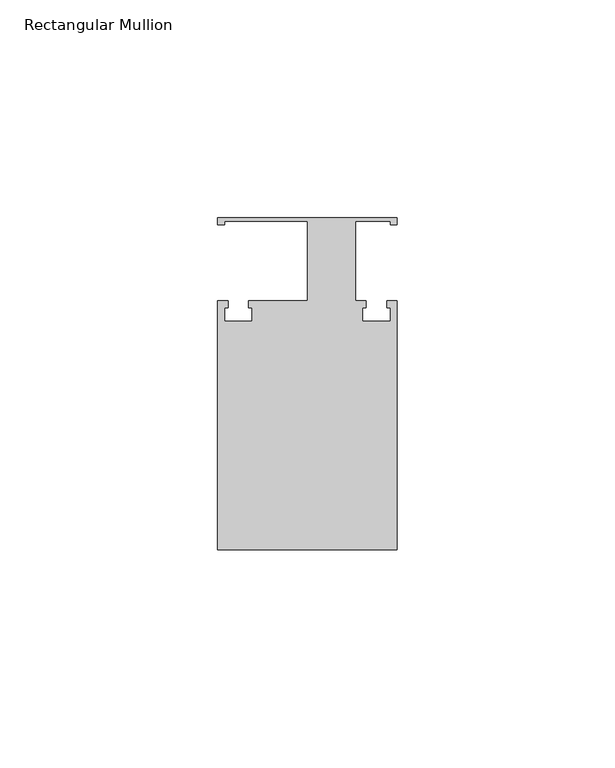
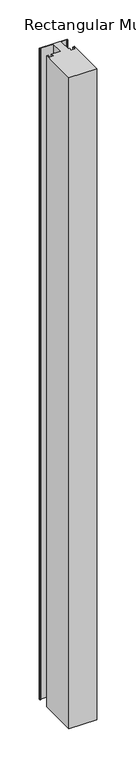
"""IFC4 building model written with IfcOpenShell, lengths in millimetres: member geometry, Rectangular Mullion."""

from ifc_helpers import new_model, si_unit, frame, origin, place, context, project, spatial, polyline, outline, extrude, source, transform, mapped, element, save


def rectangular_mullion_f26e348f(model_context):
    return source(origin(), model_context, "Body", "SweptSolid", [
        extrude(outline(polyline([(20.6375, 38.1), (20.6375, 36.5125), (19.05, 36.5125), (19.05, 37.30625), (11.1125, 37.30625), (11.1125, 19.05), (13.49375, 19.05), (13.49375, 17.4625), (12.7, 17.4625), (12.7, 14.2875), (19.05, 14.2875), (19.05, 17.4625), (18.25625, 17.4625), (18.25625, 19.05), (20.6375, 19.05), (20.6375, -38.1), (-20.6375, -38.1), (-20.6375, 19.05), (-18.25625, 19.05), (-18.25625, 17.4625), (-19.05, 17.4625), (-19.05, 14.2875), (-12.7, 14.2875), (-12.7, 17.4625), (-13.49375, 17.4625), (-13.49375, 19.05), (0.0, 19.05), (0.0, 37.30625), (-19.05, 37.30625), (-19.05, 36.5125), (-20.6375, 36.5125), (-20.6375, 38.1), (20.6375, 38.1)])), frame((0.0, 0.0, -1016.2351245), z_axis=(0.0, 0.0, 1.0), x_axis=(1.0, 0.0, 0.0)), (0.0, 0.0, 1.0), 1016.2351245),
    ])


if __name__ == "__main__":
    model = new_model("IFC4")
    model_context = context("Model", 3, world=origin())
    ifc_project = project(units=[si_unit("LENGTHUNIT", "METRE", prefix="MILLI")], contexts=[model_context])
    site = spatial("IfcSite", under=ifc_project)
    building = spatial("IfcBuilding", under=site)
    placement = place(None, origin())
    rectangular_mullion_shape = rectangular_mullion_f26e348f(model_context)
    element("IfcMember", 1, ObjectType="Rectangular Mullion", at=placement, inside=building, context=model_context, shape_type="MappedRepresentation", body=[
        mapped(rectangular_mullion_shape, transform((0.0, 0.0, 0.0), x_axis=(1.0, 0.0, 0.0), y_axis=(0.0, 1.0, 0.0), z_axis=(0.0, 0.0, 1.0))),
    ])
    save(model, "model.ifc")
